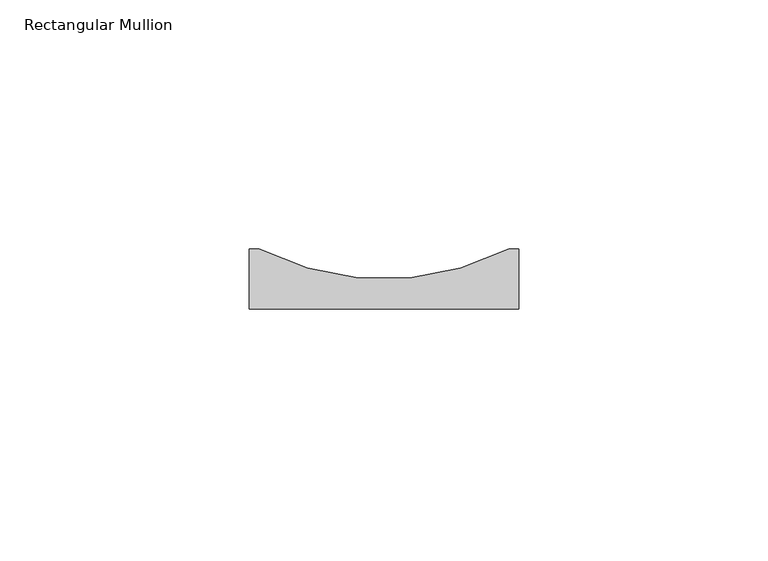
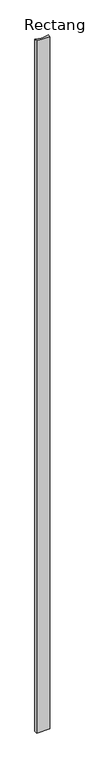
"""IFC4 building model written with IfcOpenShell, lengths in millimetres: member geometry, Rectangular Mullion."""

from ifc_helpers import new_model, si_unit, point, frame, frame_2d, origin, place, context, project, spatial, polyline, circle_curve, trimmed, segment, composite_curve, outline, extrude, source, transform, mapped, element, save


def rectangular_mullion_bc6e9485(model_context):
    return source(origin(), model_context, "Body", "SweptSolid", [
        extrude(outline(composite_curve([segment(polyline([(-27.0, 12.0), (-25.0, 12.0)]), True, "CONTINUOUS"), segment(trimmed(circle_curve(frame_2d((0.0, 61.0833333)), 55.0833333), [point((-25.0, 12.0))], [point((25.0, 12.0))], True, "CARTESIAN"), True, "CONTINUOUS"), segment(polyline([(25.0, 12.0), (27.0, 12.0), (27.0, 0.0), (-27.0, 0.0), (-27.0, 12.0)]), True, "CONTINUOUS")], self_intersect=False)), frame((0.0, 0.0, -3000.0), z_axis=(0.0, 0.0, 1.0), x_axis=(1.0, 0.0, 0.0)), (0.0, 0.0, 1.0), 3000.0),
    ])


if __name__ == "__main__":
    model = new_model("IFC4")
    model_context = context("Model", 3, world=origin())
    ifc_project = project(units=[si_unit("LENGTHUNIT", "METRE", prefix="MILLI")], contexts=[model_context])
    site = spatial("IfcSite", under=ifc_project)
    building = spatial("IfcBuilding", under=site)
    placement = place(None, origin())
    rectangular_mullion_shape = rectangular_mullion_bc6e9485(model_context)
    element("IfcMember", 1, ObjectType="Rectangular Mullion", at=placement, inside=building, context=model_context, shape_type="MappedRepresentation", body=[
        mapped(rectangular_mullion_shape, transform((0.0, 0.0, 0.0), x_axis=(1.0, 0.0, 0.0), y_axis=(0.0, 1.0, 0.0), z_axis=(0.0, 0.0, 1.0))),
    ])
    save(model, "model.ifc")
